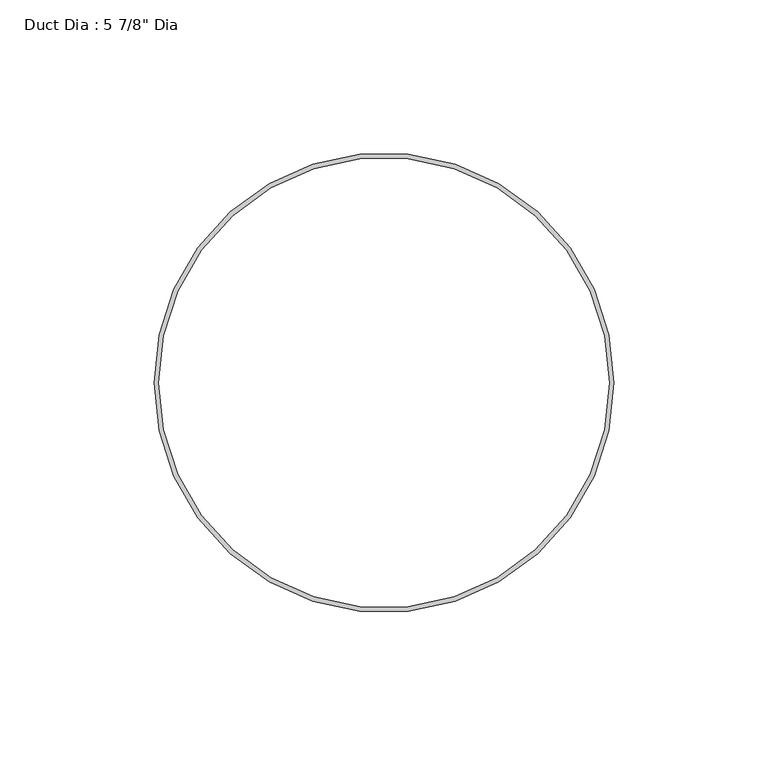
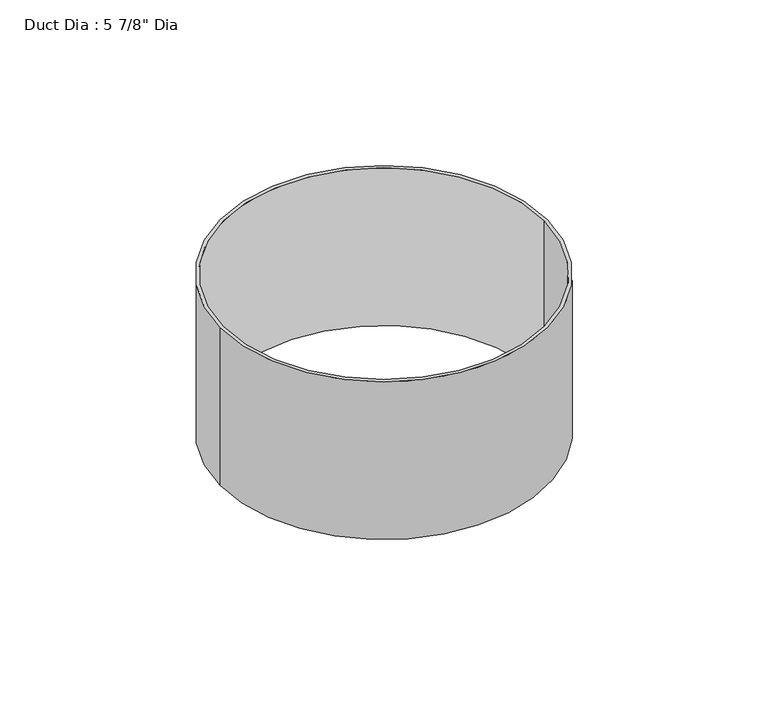
"""IFC4 building model written with IfcOpenShell, lengths in millimetres: proxy geometry."""

from ifc_helpers import new_model, si_unit, point, origin, origin_with_axes, origin_2d, place, context, project, spatial, circle_curve, trimmed, segment, composite_curve, outline, extrude, source, transform, mapped, element, save


def proxy_6335ccae(model_context):
    return source(origin(), model_context, "Body", "SweptSolid", [
        extrude(outline(composite_curve([segment(trimmed(circle_curve(origin_2d(), 74.6125), [point((-74.6125, 0.0))], [point((74.6125, 0.0))], False, "CARTESIAN"), True, "CONTINUOUS"), segment(trimmed(circle_curve(origin_2d(), 74.6125), [point((74.6125, 0.0))], [point((-74.6125, 0.0))], False, "CARTESIAN"), True, "CONTINUOUS")], self_intersect=False), holes=[composite_curve([segment(trimmed(circle_curve(origin_2d(), 73.025), [point((-73.025, 0.0))], [point((73.025, 0.0))], True, "CARTESIAN"), True, "CONTINUOUS"), segment(trimmed(circle_curve(origin_2d(), 73.025), [point((73.025, 0.0))], [point((-73.025, 0.0))], True, "CARTESIAN"), True, "CONTINUOUS")], self_intersect=False)]), origin_with_axes(), (0.0, 0.0, 1.0), 76.2),
    ])


if __name__ == "__main__":
    model = new_model("IFC4")
    model_context = context("Model", 3, world=origin())
    ifc_project = project(units=[si_unit("LENGTHUNIT", "METRE", prefix="MILLI")], contexts=[model_context])
    site = spatial("IfcSite", under=ifc_project)
    building = spatial("IfcBuilding", under=site)
    placement = place(None, origin())
    proxy_shape = proxy_6335ccae(model_context)
    element("IfcBuildingElementProxy", 1, Name="Duct Dia : 5 7/8\" Dia", ObjectType="Duct Dia : 5 7/8\" Dia", at=placement, inside=building, context=model_context, shape_type="MappedRepresentation", body=[
        mapped(proxy_shape, transform((0.0, 0.0, 0.0), x_axis=(1.0, 0.0, 0.0), y_axis=(0.0, 1.0, 0.0), z_axis=(0.0, 0.0, 1.0))),
    ])
    save(model, "model.ifc")
